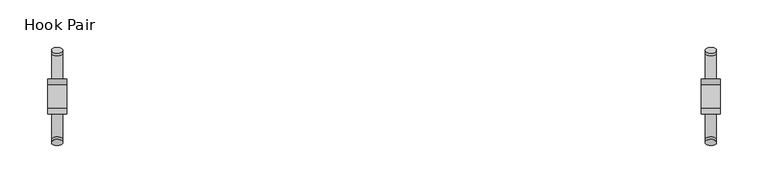
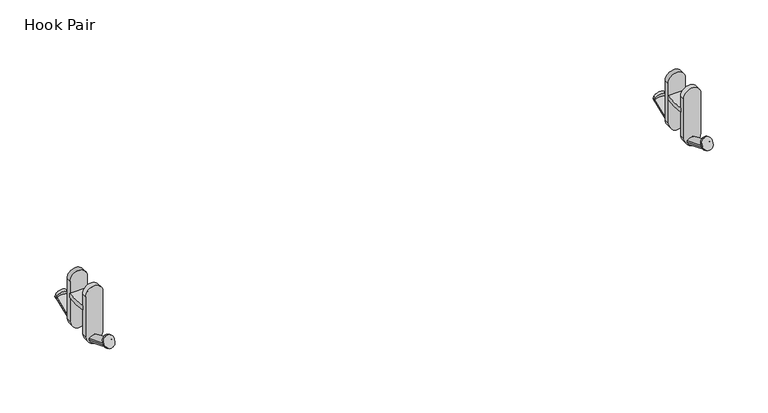
"""IFC4 building model written with IfcOpenShell, lengths in millimetres: furniture geometry, Hook Pair."""

import ifcopenshell
import ifcopenshell.guid

model = None  # the IFC model being written
_history = None  # IfcOwnerHistory: only IFC2X3 demands one
_inside = {}  # id of a spatial element -> (the spatial element, [elements in it])
_under = {}  # id of a project, library or spatial element -> (it, [spatial elements below it])
_declared = {}  # id of a project -> (the project, [libraries it declares])
_typed = {}  # id of a type object -> (the type object, [elements of that type])
_made_of = {}  # id of a material, layer set ... -> (it, [elements and type objects made of it])


def new_model(schema):
    """Start an empty IFC model of exactly this schema.

    Asked for "IFC4X3", IfcOpenShell would pick the latest addendum, in which some entities
    have other attributes; the version numbers below select the first issue.
    IFC2X3 requires an IfcOwnerHistory on every rooted entity: one is made here for all.
    """
    global model, _history
    if schema == "IFC4X3":
        model = ifcopenshell.file(schema_version=(4, 3, 0, 0))
    else:
        model = ifcopenshell.file(schema=schema)
    _inside.clear()
    _under.clear()
    _declared.clear()
    _typed.clear()
    _made_of.clear()
    _history = None
    if model.schema == "IFC2X3":
        org = make("IfcOrganization", Name="unknown")
        user = make(
            "IfcPersonAndOrganization",
            ThePerson=make("IfcPerson", FamilyName="unknown"),
            TheOrganization=org,
        )
        app = make(
            "IfcApplication",
            ApplicationDeveloper=org,
            Version="unknown",
            ApplicationFullName="unknown",
            ApplicationIdentifier="unknown",
        )
        _history = make(
            "IfcOwnerHistory",
            OwningUser=user,
            OwningApplication=app,
            ChangeAction="ADDED",
            CreationDate=0,
        )
    return model


def make(cls, **values):
    """One entity of the class cls with the attributes given. An attribute that is None is left unset."""
    return model.create_entity(
        cls, **{name: value for name, value in values.items() if value is not None}
    )


def rooted(cls, **values):
    """An entity with a GlobalId (a new one), such as an element, a storey or a relation."""
    return make(cls, GlobalId=ifcopenshell.guid.new(), OwnerHistory=_history, **values)


def si_unit(unit_type, name, prefix=None):
    """IfcSIUnit, for example si_unit("LENGTHUNIT", "METRE", prefix="MILLI")."""
    return make("IfcSIUnit", UnitType=unit_type, Prefix=prefix, Name=name)


def assignment(units):
    """IfcUnitAssignment: the units of a project."""
    return None if units is None else make("IfcUnitAssignment", Units=units)


def point(xyz):
    """IfcCartesianPoint."""
    return None if xyz is None else make("IfcCartesianPoint", Coordinates=xyz)


def direction(xyz):
    """IfcDirection."""
    return None if xyz is None else make("IfcDirection", DirectionRatios=xyz)


def frame(location, z_axis=None, x_axis=None):
    """IfcAxis2Placement3D, a coordinate frame: its origin and axes. An axis left out is left unset."""
    return make(
        "IfcAxis2Placement3D",
        Location=point(location),
        Axis=direction(z_axis),
        RefDirection=direction(x_axis),
    )


def frame_2d(location, x_axis=None):
    """IfcAxis2Placement2D, a coordinate frame in the plane: its origin and x axis."""
    return make(
        "IfcAxis2Placement2D", Location=point(location), RefDirection=direction(x_axis)
    )


def origin():
    """The frame at (0, 0, 0) with its axes left unset."""
    return frame((0.0, 0.0, 0.0))


def place(relative_to, where):
    """IfcLocalPlacement: puts the frame where relative to a parent placement (None: the world)."""
    return make(
        "IfcLocalPlacement", PlacementRelTo=relative_to, RelativePlacement=where
    )


def context(
    kind, dimensions, precision=None, world=None, true_north=None, identifier=None
):
    """IfcGeometricRepresentationContext, for example the 3D "Model" context."""
    return make(
        "IfcGeometricRepresentationContext",
        ContextIdentifier=identifier,
        ContextType=kind,
        CoordinateSpaceDimension=dimensions,
        Precision=precision,
        WorldCoordinateSystem=world,
        TrueNorth=true_north,
    )


def project(units=None, contexts=None):
    """IfcProject with its units and contexts."""
    return rooted(
        "IfcProject",
        Name="project",
        RepresentationContexts=contexts,
        UnitsInContext=assignment(units),
    )


def spatial(cls, under=None, at=None, **own):
    """A site, building, storey or space (cls), placed at a placement, below another one or the project."""
    s = rooted(cls, ObjectPlacement=at, **own)
    if under is not None:
        _under.setdefault(under.id(), (under, []))[1].append(s)
    return s


def polyline(points):
    """IfcPolyline through the points."""
    return make("IfcPolyline", Points=[point(p) for p in points])


def circle_curve(where, radius):
    """IfcCircle in the frame where."""
    return make("IfcCircle", Position=where, Radius=radius)


def trimmed(basis, trim1, trim2, sense, master):
    """IfcTrimmedCurve: the piece of a basis curve between two trims."""
    return make(
        "IfcTrimmedCurve",
        BasisCurve=basis,
        Trim1=trim1,
        Trim2=trim2,
        SenseAgreement=sense,
        MasterRepresentation=master,
    )


def segment(curve, same_sense, transition):
    """IfcCompositeCurveSegment."""
    return make(
        "IfcCompositeCurveSegment",
        Transition=transition,
        SameSense=same_sense,
        ParentCurve=curve,
    )


def composite_curve(segments, self_intersect=None):
    """IfcCompositeCurve: segments joined end to end."""
    return make("IfcCompositeCurve", Segments=segments, SelfIntersect=self_intersect)


def outline(outer, holes=None, kind="AREA"):
    """IfcArbitraryClosedProfileDef: a profile drawn as a closed curve; with holes, ...WithVoids."""
    if holes is None:
        return make("IfcArbitraryClosedProfileDef", ProfileType=kind, OuterCurve=outer)
    return make(
        "IfcArbitraryProfileDefWithVoids",
        ProfileType=kind,
        OuterCurve=outer,
        InnerCurves=holes,
    )


def extrude(swept, where, along, depth):
    """IfcExtrudedAreaSolid: the profile swept, set in the frame where, extruded along a direction by depth."""
    return make(
        "IfcExtrudedAreaSolid",
        SweptArea=swept,
        Position=where,
        ExtrudedDirection=direction(along),
        Depth=depth,
    )


def shape(context_of_items, identifier, shape_type, items):
    """IfcShapeRepresentation: the items that make up one representation, for example the "Body"."""
    return make(
        "IfcShapeRepresentation",
        ContextOfItems=context_of_items,
        RepresentationIdentifier=identifier,
        RepresentationType=shape_type,
        Items=items,
    )


def source(mapping_origin, context_of_items, identifier, shape_type, items):
    """IfcRepresentationMap: a shape defined once, which mapped items show again and again."""
    return make(
        "IfcRepresentationMap",
        MappingOrigin=mapping_origin,
        MappedRepresentation=shape(context_of_items, identifier, shape_type, items),
    )


def transform(
    local_origin,
    x_axis=None,
    y_axis=None,
    z_axis=None,
    scale=None,
    scale2=None,
    scale3=None,
    uniform=True,
):
    """IfcCartesianTransformationOperator3D, or its non-uniform kind. x_axis, y_axis, z_axis: its Axis1, 2, 3."""
    if uniform:
        return make(
            "IfcCartesianTransformationOperator3D",
            Axis1=direction(x_axis),
            Axis2=direction(y_axis),
            LocalOrigin=point(local_origin),
            Scale=scale,
            Axis3=direction(z_axis),
        )
    return make(
        "IfcCartesianTransformationOperator3DnonUniform",
        Axis1=direction(x_axis),
        Axis2=direction(y_axis),
        LocalOrigin=point(local_origin),
        Scale=scale,
        Axis3=direction(z_axis),
        Scale2=scale2,
        Scale3=scale3,
    )


def mapped(mapping_source, mapping_target):
    """IfcMappedItem: shows the shape of a source again, moved by a transform."""
    return make(
        "IfcMappedItem", MappingSource=mapping_source, MappingTarget=mapping_target
    )


def made_of(thing, what):
    """Note that an element or type object is made of a material, layer set ...; save() writes the relation."""
    if what is not None:
        _made_of.setdefault(what.id(), (what, []))[1].append(thing)
    return thing


def element(
    cls,
    number,
    at=None,
    inside=None,
    cuts=None,
    type_object=None,
    material=None,
    context=None,
    identifier="Body",
    shape_type=None,
    held_by="IfcProductDefinitionShape",
    body=None,
    shapes=None,
    **own,
):
    """One element of the class cls, such as IfcWall. Its Tag is "e" and its number.

    at: its placement. inside: the storey or other place that contains it. cuts: it is an
    opening in that element (IfcRelVoidsElement). A single representation is given by context,
    identifier, shape_type and body (its items); several are given by shapes. held_by: the class
    of the entity that holds the representations. save() writes the other relations.
    """
    e = rooted(cls, Tag="e%d" % number, ObjectPlacement=at, **own)
    if body is not None:
        shapes = [shape(context, identifier, shape_type, body)]
    if shapes is not None:
        e.Representation = make(held_by, Representations=shapes)
    if inside is not None:
        _inside.setdefault(inside.id(), (inside, []))[1].append(e)
    if cuts is not None:
        rooted(
            "IfcRelVoidsElement", RelatingBuildingElement=cuts, RelatedOpeningElement=e
        )
    if type_object is not None:
        _typed.setdefault(type_object.id(), (type_object, []))[1].append(e)
    return made_of(e, material)


def aggregate(whole, parts):
    """IfcRelAggregates: a whole, such as a stair, and the parts it consists of."""
    return rooted("IfcRelAggregates", RelatingObject=whole, RelatedObjects=parts)


def save(model, path):
    """Write the relations noted so far, then the file.

    IfcRelAggregates (storeys below a building ...), IfcRelContainedInSpatialStructure (elements
    in a storey), IfcRelDefinesByType, IfcRelAssociatesMaterial and IfcRelDeclares: one each for
    every whole, place, type object, material and project.
    """
    for whole, parts in _under.values():
        aggregate(whole, parts)
    for where, things in _inside.values():
        rooted(
            "IfcRelContainedInSpatialStructure",
            RelatedElements=things,
            RelatingStructure=where,
        )
    for kind, things in _typed.values():
        rooted("IfcRelDefinesByType", RelatedObjects=things, RelatingType=kind)
    for what, things in _made_of.values():
        rooted("IfcRelAssociatesMaterial", RelatedObjects=things, RelatingMaterial=what)
    for by, libraries in _declared.values():
        rooted("IfcRelDeclares", RelatingContext=by, RelatedDefinitions=libraries)
    model.write(path)


def hook_pair_2f612a0b(model_context):
    return source(origin(), model_context, "Body", "SweptSolid", [
        extrude(outline(composite_curve([segment(polyline([(-5.1707422, 2094.4017355), (-5.1707422, 2089.4351978)]), True, "CONTINUOUS"), segment(trimmed(circle_curve(frame_2d((-17.6522601, 2149.2835887)), 61.1360629), [point((-5.1707422, 2089.4351978))], [point((-30.1337779, 2089.4351978))], False, "CARTESIAN"), True, "CONTINUOUS"), segment(polyline([(-30.1337779, 2089.4351978), (-30.1337779, 2094.4017355)]), True, "CONTINUOUS"), segment(trimmed(circle_curve(frame_2d((-17.6522601, 2179.3538193)), 85.8641068), [point((-30.1337779, 2094.4017355))], [point((-5.1707422, 2094.4017355))], True, "CARTESIAN"), True, "CONTINUOUS")], self_intersect=False)), frame((794.5383914, 0.0, 0.0), z_axis=(1.0, 0.0, 0.0), x_axis=(0.0, 1.0, 0.0)), (0.0, 0.0, 1.0), 19.9021732),
        extrude(outline(composite_curve([segment(polyline([(124.3162667, 3.0085491), (124.3162667, -0.7167434)]), True, "CONTINUOUS"), segment(trimmed(circle_curve(frame_2d((118.4053372, 0.7463492)), 6.0893125), [point((124.3162667, -0.7167434))], [point((112.4944077, -0.7167434))], False, "CARTESIAN"), True, "CONTINUOUS"), segment(polyline([(112.4944077, -0.7167434), (112.4944077, 2.7627166)]), True, "CONTINUOUS"), segment(trimmed(circle_curve(frame_2d((118.4027812, 3.0085491)), 5.9134855), [point((112.4944077, 2.7627166))], [point((124.3162667, 3.0085491))], False, "CARTESIAN"), True, "CONTINUOUS")], self_intersect=False)), frame((922.8734991, 28.9216274, 2066.4920699), z_axis=(0.0, 0.9063077870366372, 0.4226182617407269), x_axis=(-1.0, 0.0, 0.0)), (0.0, 0.0, 1.0), 2.8634617),
        extrude(outline(composite_curve([segment(polyline([(112.6108693, 8.351735), (112.6108693, 9.6920854)]), True, "CONTINUOUS"), segment(trimmed(circle_curve(frame_2d((118.5381623, 4.2083614)), 8.0749013), [point((112.6108693, 9.6920854))], [point((124.4654552, 9.6920854))], False, "CARTESIAN"), True, "CONTINUOUS"), segment(polyline([(124.4654552, 9.6920854), (124.4654552, 8.351735)]), True, "CONTINUOUS"), segment(trimmed(circle_curve(frame_2d((118.5381623, 9.9399524)), 6.1363863), [point((124.4654552, 8.351735))], [point((112.6108693, 8.351735))], False, "CARTESIAN"), True, "CONTINUOUS")], self_intersect=False)), frame((922.8734991, 0.6680944, 2046.0692652), z_axis=(0.0, 0.9271838545667854, 0.3746065934159169), x_axis=(-1.0, 0.0, 0.0)), (0.0, 0.0, 1.0), 34.1273207),
        extrude(outline(composite_curve([segment(polyline([(2108.7580086, 794.5383914), (2060.0458328, 794.5383914)]), True, "CONTINUOUS"), segment(trimmed(circle_curve(frame_2d((2062.9033231, 809.8311151)), 15.5573985), [point((2060.0458328, 794.5383914))], [point((2050.3389902, 800.6566839))], False, "CARTESIAN"), True, "CONTINUOUS"), segment(trimmed(circle_curve(frame_2d((2055.5288696, 804.4463155)), 6.4262085), [point((2050.3389902, 800.6566839))], [point((2050.3389902, 808.235947))], False, "CARTESIAN"), True, "CONTINUOUS"), segment(trimmed(circle_curve(frame_2d((2062.8261477, 799.1178689)), 15.4618386), [point((2050.3389902, 808.235947))], [point((2060.2508191, 814.3637252))], False, "CARTESIAN"), True, "CONTINUOUS"), segment(polyline([(2060.2508191, 814.3637252), (2108.7580086, 814.3637252)]), True, "CONTINUOUS"), segment(trimmed(circle_curve(frame_2d((2108.7580086, 804.4510583)), 9.9126669), [point((2108.7580086, 814.3637252))], [point((2108.7580086, 794.5383914))], False, "CARTESIAN"), True, "CONTINUOUS")], self_intersect=False)), frame((0.0, -5.1707422, 0.0), z_axis=(0.0, 1.0, 0.0), x_axis=(0.0, 0.0, 1.0)), (0.0, 0.0, 1.0), 5.9432132),
        extrude(outline(composite_curve([segment(trimmed(circle_curve(frame_2d((118.4027812, -3.0085491)), 5.9134855), [point((124.3162667, -3.0085491))], [point((112.4944077, -2.7627166))], False, "CARTESIAN"), True, "CONTINUOUS"), segment(polyline([(112.4944077, -2.7627166), (112.4944077, 0.7167434)]), True, "CONTINUOUS"), segment(trimmed(circle_curve(frame_2d((118.4053372, -0.7463492)), 6.0893125), [point((112.4944077, 0.7167434))], [point((124.3162667, 0.7167434))], False, "CARTESIAN"), True, "CONTINUOUS"), segment(polyline([(124.3162667, 0.7167434), (124.3162667, -3.0085491)]), True, "CONTINUOUS")], self_intersect=False)), frame((922.8734991, -64.2261475, 2066.4920699), z_axis=(0.0, -0.9063077870366372, 0.4226182617407269), x_axis=(-1.0, 0.0, 0.0)), (0.0, 0.0, 1.0), 2.8634617),
        extrude(outline(composite_curve([segment(trimmed(circle_curve(frame_2d((118.5381623, -9.9399525)), 6.1363863), [point((112.6108693, -8.351735))], [point((124.4654552, -8.351735))], False, "CARTESIAN"), True, "CONTINUOUS"), segment(polyline([(124.4654552, -8.351735), (124.4654552, -9.6920854)]), True, "CONTINUOUS"), segment(trimmed(circle_curve(frame_2d((118.5381623, -4.2083615)), 8.0749013), [point((124.4654552, -9.6920854))], [point((112.6108693, -9.6920854))], False, "CARTESIAN"), True, "CONTINUOUS"), segment(polyline([(112.6108693, -9.6920854), (112.6108693, -8.351735)]), True, "CONTINUOUS")], self_intersect=False)), frame((922.8734991, -35.9726146, 2046.0692652), z_axis=(0.0, -0.9271838545667854, 0.3746065934159169), x_axis=(-1.0, 0.0, 0.0)), (0.0, 0.0, 1.0), 34.1273207),
        extrude(outline(composite_curve([segment(polyline([(2108.7580086, 794.5383914), (2060.0458328, 794.5383914)]), True, "CONTINUOUS"), segment(trimmed(circle_curve(frame_2d((2062.9033231, 809.8311151)), 15.5573985), [point((2060.0458328, 794.5383914))], [point((2050.3389902, 800.6566839))], False, "CARTESIAN"), True, "CONTINUOUS"), segment(trimmed(circle_curve(frame_2d((2055.5288696, 804.4463155)), 6.4262085), [point((2050.3389902, 800.6566839))], [point((2050.3389902, 808.235947))], False, "CARTESIAN"), True, "CONTINUOUS"), segment(trimmed(circle_curve(frame_2d((2062.8261477, 799.1178689)), 15.4618386), [point((2050.3389902, 808.235947))], [point((2060.2508191, 814.3637252))], False, "CARTESIAN"), True, "CONTINUOUS"), segment(polyline([(2060.2508191, 814.3637252), (2108.7580086, 814.3637252)]), True, "CONTINUOUS"), segment(trimmed(circle_curve(frame_2d((2108.7580086, 804.4510583)), 9.9126669), [point((2108.7580086, 814.3637252))], [point((2108.7580086, 794.5383914))], False, "CARTESIAN"), True, "CONTINUOUS")], self_intersect=False)), frame((0.0, -36.0769911, 0.0), z_axis=(0.0, 1.0, 0.0), x_axis=(0.0, 0.0, 1.0)), (0.0, 0.0, 1.0), 5.9432132),
        extrude(outline(composite_curve([segment(polyline([(-5.1707422, 2094.4017355), (-5.1707422, 2089.4351978)]), True, "CONTINUOUS"), segment(trimmed(circle_curve(frame_2d((-17.6522601, 2149.2835887)), 61.1360629), [point((-5.1707422, 2089.4351978))], [point((-30.1337779, 2089.4351978))], False, "CARTESIAN"), True, "CONTINUOUS"), segment(polyline([(-30.1337779, 2089.4351978), (-30.1337779, 2094.4017355)]), True, "CONTINUOUS"), segment(trimmed(circle_curve(frame_2d((-17.6522601, 2179.3538193)), 85.8641068), [point((-30.1337779, 2094.4017355))], [point((-5.1707422, 2094.4017355))], True, "CARTESIAN"), True, "CONTINUOUS")], self_intersect=False)), frame((108.4329344, 0.0, 0.0), z_axis=(1.0, 0.0, 0.0), x_axis=(0.0, 1.0, 0.0)), (0.0, 0.0, 1.0), 19.9021732),
        extrude(outline(composite_curve([segment(trimmed(circle_curve(frame_2d((118.4027812, -3.0085491)), 5.9134855), [point((124.3162667, -3.0085491))], [point((112.4944077, -2.7627166))], False, "CARTESIAN"), True, "CONTINUOUS"), segment(polyline([(112.4944077, -2.7627166), (112.4944077, 0.7167434)]), True, "CONTINUOUS"), segment(trimmed(circle_curve(frame_2d((118.4053372, -0.7463492)), 6.0893125), [point((112.4944077, 0.7167434))], [point((124.3162667, 0.7167434))], False, "CARTESIAN"), True, "CONTINUOUS"), segment(polyline([(124.3162667, 0.7167434), (124.3162667, -3.0085491)]), True, "CONTINUOUS")], self_intersect=False)), frame((0.0, 28.9216274, 2066.4920699), z_axis=(0.0, 0.9063077870366372, 0.4226182617407269), x_axis=(1.0, 0.0, 0.0)), (0.0, 0.0, 1.0), 2.8634617),
        extrude(outline(composite_curve([segment(trimmed(circle_curve(frame_2d((118.5381623, -9.9399524)), 6.1363863), [point((112.6108693, -8.351735))], [point((124.4654552, -8.351735))], False, "CARTESIAN"), True, "CONTINUOUS"), segment(polyline([(124.4654552, -8.351735), (124.4654552, -9.6920854)]), True, "CONTINUOUS"), segment(trimmed(circle_curve(frame_2d((118.5381623, -4.2083614)), 8.0749013), [point((124.4654552, -9.6920854))], [point((112.6108693, -9.6920854))], False, "CARTESIAN"), True, "CONTINUOUS"), segment(polyline([(112.6108693, -9.6920854), (112.6108693, -8.351735)]), True, "CONTINUOUS")], self_intersect=False)), frame((0.0, 0.6680944, 2046.0692652), z_axis=(0.0, 0.9271838545667854, 0.3746065934159169), x_axis=(1.0, 0.0, 0.0)), (0.0, 0.0, 1.0), 34.1273207),
        extrude(outline(composite_curve([segment(trimmed(circle_curve(frame_2d((2108.7580086, 118.4224407)), 9.9126669), [point((2108.7580086, 128.3351076))], [point((2108.7580086, 108.5097739))], False, "CARTESIAN"), True, "CONTINUOUS"), segment(polyline([(2108.7580086, 108.5097739), (2060.2508191, 108.5097739)]), True, "CONTINUOUS"), segment(trimmed(circle_curve(frame_2d((2062.8261477, 123.7556301)), 15.4618386), [point((2060.2508191, 108.5097739))], [point((2050.3389902, 114.6375521))], False, "CARTESIAN"), True, "CONTINUOUS"), segment(trimmed(circle_curve(frame_2d((2055.5288696, 118.4271836)), 6.4262085), [point((2050.3389902, 114.6375521))], [point((2050.3389902, 122.2168151))], False, "CARTESIAN"), True, "CONTINUOUS"), segment(trimmed(circle_curve(frame_2d((2062.9033231, 113.0423839)), 15.5573985), [point((2050.3389902, 122.2168151))], [point((2060.0458328, 128.3351076))], False, "CARTESIAN"), True, "CONTINUOUS"), segment(polyline([(2060.0458328, 128.3351076), (2108.7580086, 128.3351076)]), True, "CONTINUOUS")], self_intersect=False)), frame((0.0, -5.1707422, 0.0), z_axis=(0.0, 1.0, 0.0), x_axis=(0.0, 0.0, 1.0)), (0.0, 0.0, 1.0), 5.9432132),
        extrude(outline(composite_curve([segment(polyline([(124.3162667, 3.0085491), (124.3162667, -0.7167434)]), True, "CONTINUOUS"), segment(trimmed(circle_curve(frame_2d((118.4053372, 0.7463492)), 6.0893125), [point((124.3162667, -0.7167434))], [point((112.4944077, -0.7167434))], False, "CARTESIAN"), True, "CONTINUOUS"), segment(polyline([(112.4944077, -0.7167434), (112.4944077, 2.7627166)]), True, "CONTINUOUS"), segment(trimmed(circle_curve(frame_2d((118.4027812, 3.0085491)), 5.9134855), [point((112.4944077, 2.7627166))], [point((124.3162667, 3.0085491))], False, "CARTESIAN"), True, "CONTINUOUS")], self_intersect=False)), frame((0.0, -64.2261475, 2066.4920699), z_axis=(0.0, -0.9063077870366372, 0.4226182617407269), x_axis=(1.0, 0.0, 0.0)), (0.0, 0.0, 1.0), 2.8634617),
        extrude(outline(composite_curve([segment(polyline([(112.6108693, 8.351735), (112.6108693, 9.6920854)]), True, "CONTINUOUS"), segment(trimmed(circle_curve(frame_2d((118.5381623, 4.2083615)), 8.0749013), [point((112.6108693, 9.6920854))], [point((124.4654552, 9.6920854))], False, "CARTESIAN"), True, "CONTINUOUS"), segment(polyline([(124.4654552, 9.6920854), (124.4654552, 8.351735)]), True, "CONTINUOUS"), segment(trimmed(circle_curve(frame_2d((118.5381623, 9.9399525)), 6.1363863), [point((124.4654552, 8.351735))], [point((112.6108693, 8.351735))], False, "CARTESIAN"), True, "CONTINUOUS")], self_intersect=False)), frame((0.0, -35.9726146, 2046.0692652), z_axis=(0.0, -0.9271838545667854, 0.3746065934159169), x_axis=(1.0, 0.0, 0.0)), (0.0, 0.0, 1.0), 34.1273207),
        extrude(outline(composite_curve([segment(trimmed(circle_curve(frame_2d((2108.7580086, 118.4224407)), 9.9126669), [point((2108.7580086, 128.3351076))], [point((2108.7580086, 108.5097739))], False, "CARTESIAN"), True, "CONTINUOUS"), segment(polyline([(2108.7580086, 108.5097739), (2060.2508191, 108.5097739)]), True, "CONTINUOUS"), segment(trimmed(circle_curve(frame_2d((2062.8261477, 123.7556301)), 15.4618386), [point((2060.2508191, 108.5097739))], [point((2050.3389902, 114.6375521))], False, "CARTESIAN"), True, "CONTINUOUS"), segment(trimmed(circle_curve(frame_2d((2055.5288696, 118.4271836)), 6.4262085), [point((2050.3389902, 114.6375521))], [point((2050.3389902, 122.2168151))], False, "CARTESIAN"), True, "CONTINUOUS"), segment(trimmed(circle_curve(frame_2d((2062.9033231, 113.0423839)), 15.5573985), [point((2050.3389902, 122.2168151))], [point((2060.0458328, 128.3351076))], False, "CARTESIAN"), True, "CONTINUOUS"), segment(polyline([(2060.0458328, 128.3351076), (2108.7580086, 128.3351076)]), True, "CONTINUOUS")], self_intersect=False)), frame((0.0, -36.0769911, 0.0), z_axis=(0.0, 1.0, 0.0), x_axis=(0.0, 0.0, 1.0)), (0.0, 0.0, 1.0), 5.9432132),
    ])


if __name__ == "__main__":
    model = new_model("IFC4")
    model_context = context("Model", 3, world=origin())
    ifc_project = project(units=[si_unit("LENGTHUNIT", "METRE", prefix="MILLI")], contexts=[model_context])
    site = spatial("IfcSite", under=ifc_project)
    building = spatial("IfcBuilding", under=site)
    placement = place(None, origin())
    hook_pair_shape = hook_pair_2f612a0b(model_context)
    element("IfcFurniture", 1, ObjectType="Hook Pair", at=placement, inside=building, context=model_context, shape_type="MappedRepresentation", body=[
        mapped(hook_pair_shape, transform((0.0, 0.0, 0.0), x_axis=(1.0, 0.0, 0.0), y_axis=(0.0, 1.0, 0.0), z_axis=(0.0, 0.0, 1.0))),
    ])
    save(model, "model.ifc")
